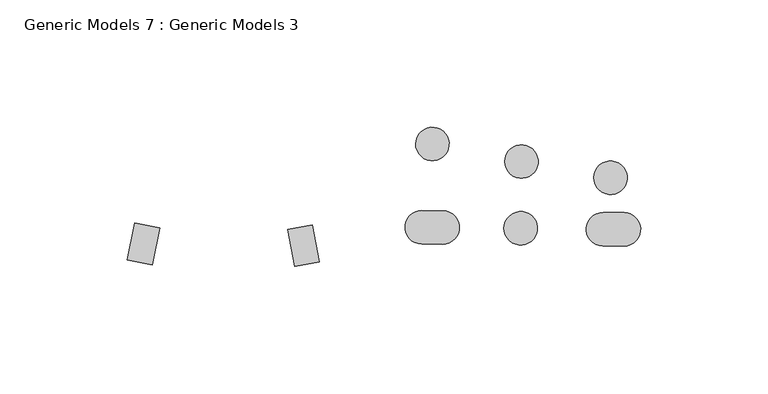
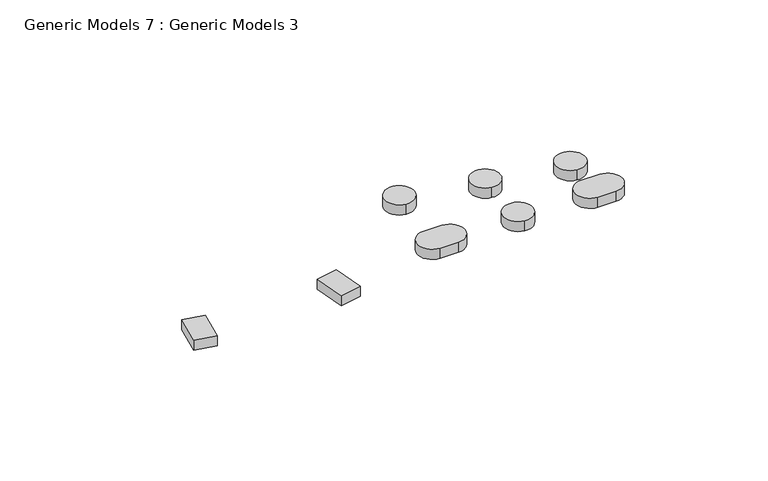
"""IFC4 building model written with IfcOpenShell, lengths in millimetres: proxy geometry, Generic Models 7 : Generic Models 3."""

from ifc_helpers import new_model, si_unit, point, frame, frame_2d, origin, place, context, project, spatial, polyline, circle_curve, trimmed, segment, composite_curve, outline, extrude, source, transform, mapped, element, save


def generic_models_7_generic_models_3_859351dc(model_context):
    return source(origin(), model_context, "Body", "SweptSolid", [
        extrude(outline(polyline([(31547.2107964, -15605.9310284), (31556.8540054, -15607.8847551), (31553.9253794, -15622.3398742), (31544.2821704, -15620.3861474), (31547.2107964, -15605.9310284)])), frame((0.0, 0.0, 858.220023), z_axis=(0.0, 0.0, 1.0), x_axis=(1.0, 0.0, 0.0)), (0.0, 0.0, 1.0), 4.891176),
        extrude(outline(polyline([(31616.8378435, -15606.6294927), (31619.475896, -15621.140454), (31609.7954339, -15622.9003351), (31607.1573814, -15608.3893739), (31616.8378435, -15606.6294927)])), frame((0.0, 0.0, 858.220023), z_axis=(0.0, 0.0, 1.0), x_axis=(1.0, 0.0, 0.0)), (0.0, 0.0, 1.0), 4.891176),
        extrude(outline(composite_curve([segment(trimmed(circle_curve(frame_2d((31663.849261, -15574.8237991)), 6.5593835), [point((31663.1196429, -15581.3424776))], [point((31664.578879, -15568.3051206))], False, "CARTESIAN"), True, "CONTINUOUS"), segment(trimmed(circle_curve(frame_2d((31663.849261, -15574.8237991)), 6.5593835), [point((31664.578879, -15568.3051206))], [point((31663.1196429, -15581.3424776))], False, "CARTESIAN"), True, "CONTINUOUS")], self_intersect=False)), frame((0.0, 0.0, 858.220023), z_axis=(0.0, 0.0, 1.0), x_axis=(1.0, 0.0, 0.0)), (0.0, 0.0, 1.0), 4.891176),
        extrude(outline(composite_curve([segment(trimmed(circle_curve(frame_2d((31659.6945042, -15607.5587818)), 6.5593835), [point((31659.6287069, -15614.1178352))], [point((31659.7603014, -15600.9997283))], False, "CARTESIAN"), True, "CONTINUOUS"), segment(polyline([(31659.7603014, -15600.9997283), (31667.9592612, -15601.0819763)]), True, "CONTINUOUS"), segment(trimmed(circle_curve(frame_2d((31667.893464, -15607.6410297)), 6.5593835), [point((31667.9592612, -15601.0819763))], [point((31667.8276668, -15614.2000832))], False, "CARTESIAN"), True, "CONTINUOUS"), segment(polyline([(31667.8276668, -15614.2000832), (31659.6287069, -15614.1178352)]), True, "CONTINUOUS")], self_intersect=False)), frame((0.0, 0.0, 858.220023), z_axis=(0.0, 0.0, 1.0), x_axis=(1.0, 0.0, 0.0)), (0.0, 0.0, 1.0), 4.891176),
        extrude(outline(composite_curve([segment(trimmed(circle_curve(frame_2d((31698.7655458, -15581.7293944)), 6.5593835), [point((31698.0359277, -15588.2480728))], [point((31699.4951638, -15575.2107159))], False, "CARTESIAN"), True, "CONTINUOUS"), segment(trimmed(circle_curve(frame_2d((31698.7655458, -15581.7293944)), 6.5593835), [point((31699.4951638, -15575.2107159))], [point((31698.0359277, -15588.2480728))], False, "CARTESIAN"), True, "CONTINUOUS")], self_intersect=False)), frame((0.0, 0.0, 858.220023), z_axis=(0.0, 0.0, 1.0), x_axis=(1.0, 0.0, 0.0)), (0.0, 0.0, 1.0), 4.891176),
        extrude(outline(composite_curve([segment(trimmed(circle_curve(frame_2d((31698.5025328, -15607.9480849)), 6.5593835), [point((31697.7729147, -15614.4667633))], [point((31699.2321508, -15601.4294064))], False, "CARTESIAN"), True, "CONTINUOUS"), segment(trimmed(circle_curve(frame_2d((31698.5025328, -15607.9480849)), 6.5593835), [point((31699.2321508, -15601.4294064))], [point((31697.7729147, -15614.4667633))], False, "CARTESIAN"), True, "CONTINUOUS")], self_intersect=False)), frame((0.0, 0.0, 858.220023), z_axis=(0.0, 0.0, 1.0), x_axis=(1.0, 0.0, 0.0)), (0.0, 0.0, 1.0), 4.891176),
        extrude(outline(composite_curve([segment(trimmed(circle_curve(frame_2d((31733.6873105, -15588.0887266)), 6.5593835), [point((31732.9576924, -15594.607405))], [point((31734.4169285, -15581.5700481))], False, "CARTESIAN"), True, "CONTINUOUS"), segment(trimmed(circle_curve(frame_2d((31733.6873105, -15588.0887266)), 6.5593835), [point((31734.4169285, -15581.5700481))], [point((31732.9576924, -15594.607405))], False, "CARTESIAN"), True, "CONTINUOUS")], self_intersect=False)), frame((0.0, 0.0, 858.220023), z_axis=(0.0, 0.0, 1.0), x_axis=(1.0, 0.0, 0.0)), (0.0, 0.0, 1.0), 4.891176),
        extrude(outline(composite_curve([segment(trimmed(circle_curve(frame_2d((31730.7516224, -15608.2715919)), 6.5593835), [point((31730.6858252, -15614.8306453))], [point((31730.8174196, -15601.7125384))], False, "CARTESIAN"), True, "CONTINUOUS"), segment(polyline([(31730.8174196, -15601.7125384), (31739.0163795, -15601.7947864)]), True, "CONTINUOUS"), segment(trimmed(circle_curve(frame_2d((31738.9505823, -15608.3538398)), 6.5593835), [point((31739.0163795, -15601.7947864))], [point((31738.8847851, -15614.9128933))], False, "CARTESIAN"), True, "CONTINUOUS"), segment(polyline([(31738.8847851, -15614.9128933), (31730.6858252, -15614.8306453)]), True, "CONTINUOUS")], self_intersect=False)), frame((0.0, 0.0, 858.220023), z_axis=(0.0, 0.0, 1.0), x_axis=(1.0, 0.0, 0.0)), (0.0, 0.0, 1.0), 4.891176),
    ])


if __name__ == "__main__":
    model = new_model("IFC4")
    model_context = context("Model", 3, world=origin())
    ifc_project = project(units=[si_unit("LENGTHUNIT", "METRE", prefix="MILLI")], contexts=[model_context])
    site = spatial("IfcSite", under=ifc_project)
    building = spatial("IfcBuilding", under=site)
    placement = place(None, origin())
    generic_models_7_generic_models_3_shape = generic_models_7_generic_models_3_859351dc(model_context)
    element("IfcBuildingElementProxy", 1, Name="Generic Models 7 : Generic Models 3", ObjectType="Generic Models 7 : Generic Models 3", at=placement, inside=building, context=model_context, shape_type="MappedRepresentation", body=[
        mapped(generic_models_7_generic_models_3_shape, transform((0.0, 0.0, 0.0), x_axis=(1.0, 0.0, 0.0), y_axis=(0.0, 1.0, 0.0), z_axis=(0.0, 0.0, 1.0))),
    ])
    save(model, "model.ifc")
